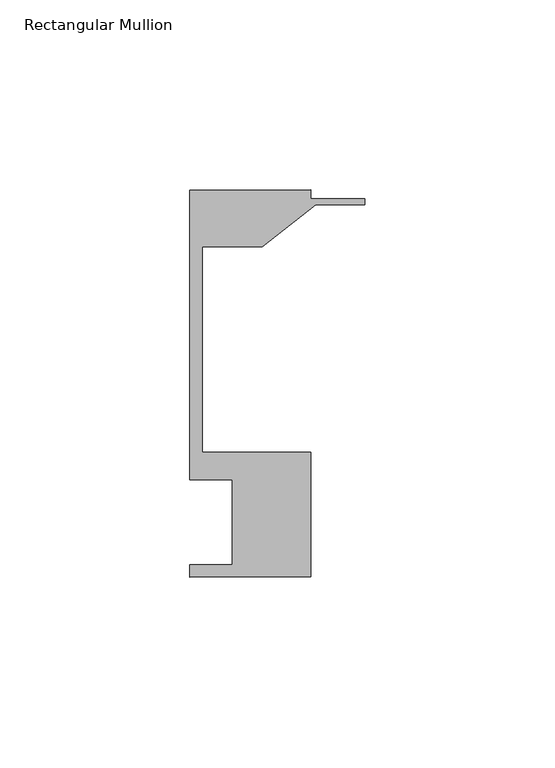
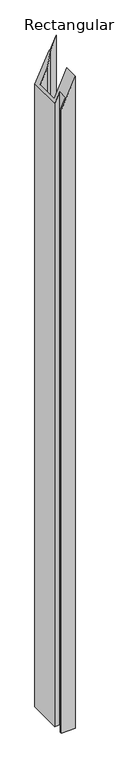
"""IFC4 building model written with IfcOpenShell, lengths in millimetres: member geometry, Rectangular Mullion."""

from ifc_helpers import new_model, si_unit, origin, place, context, project, spatial, faceted_brep, source, transform, mapped, element, save


def rectangular_mullion_3dc03dfb(model_context):
    return source(origin(), model_context, "Body", "Brep", [
        faceted_brep([(-46.0248, 12.6444375, -1574.8), (-46.0248, 15.8194375, -1574.8), (-34.9123, 15.8194375, -1574.8), (-34.9123, 38.2984375, -1574.8), (-46.0248, 38.2984375, -1574.8), (-46.0248, 114.4984375, -1574.8), (-14.2748, 114.4984375, -1574.8), (-14.2748, 112.2124375, -1574.8), (0.0, 112.2124375, -1574.8), (0.0, 110.6249375, -1574.8), (-12.9857923, 110.6249375, -1574.8), (-27.0068481, 99.5124375, -1574.8), (-42.8498, 99.5124375, -1574.8), (-42.8498, 45.4358375, -1574.8), (-14.2748, 45.4358375, -1574.8), (-14.2748, 12.6444375, -1574.8), (-27.0068481, 99.5124375, -59.1153185), (-42.8498, 99.5124375, -93.7939726), (-34.9123, 15.8194375, -76.4195705), (-34.9123, 38.2984375, -76.4195705), (-46.0248, 38.2984375, -100.7437335), (-46.0248, 114.4984375, -100.7437335), (-14.2748, 114.4984375, -31.2461248), (-46.0248, 15.8194375, -100.7437335), (-14.2748, 112.2124375, -31.2461248), (0.0, 112.2124375, 0.0), (0.0, 110.6249375, 0.0), (-12.9857923, 110.6249375, -28.4246145), (-14.2748, 12.6444375, -31.2461248), (-46.0248, 12.6444375, -100.7437335), (-14.2748, 45.4358375, -31.2461248), (-42.8498, 45.4358375, -93.7939726)], [[[0, 1, 2, 3, 4, 5, 6, 7, 8, 9, 10, 11, 12, 13, 14, 15]], [[16, 17, 12, 11]], [[18, 19, 3, 2]], [[19, 20, 4, 3]], [[20, 21, 5, 4]], [[21, 22, 6, 5]], [[23, 18, 2, 1]], [[22, 24, 7, 6]], [[24, 25, 8, 7]], [[25, 26, 9, 8]], [[26, 27, 10, 9]], [[27, 16, 11, 10]], [[28, 29, 0, 15]], [[30, 28, 15, 14]], [[31, 30, 14, 13]], [[17, 31, 13, 12]], [[29, 23, 1, 0]], [[29, 28, 30, 31, 17, 16, 27, 26, 25, 24, 22, 21, 20, 19, 18, 23]]]),
    ])


if __name__ == "__main__":
    model = new_model("IFC4")
    model_context = context("Model", 3, world=origin())
    ifc_project = project(units=[si_unit("LENGTHUNIT", "METRE", prefix="MILLI")], contexts=[model_context])
    site = spatial("IfcSite", under=ifc_project)
    building = spatial("IfcBuilding", under=site)
    placement = place(None, origin())
    rectangular_mullion_shape = rectangular_mullion_3dc03dfb(model_context)
    element("IfcMember", 1, ObjectType="Rectangular Mullion", at=placement, inside=building, context=model_context, shape_type="MappedRepresentation", body=[
        mapped(rectangular_mullion_shape, transform((0.0, 0.0, 0.0), x_axis=(1.0, 0.0, 0.0), y_axis=(0.0, 1.0, 0.0), z_axis=(0.0, 0.0, 1.0))),
    ])
    save(model, "model.ifc")
